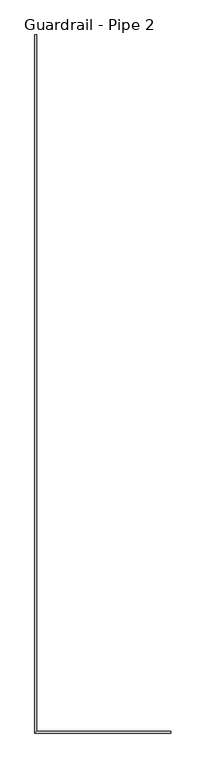
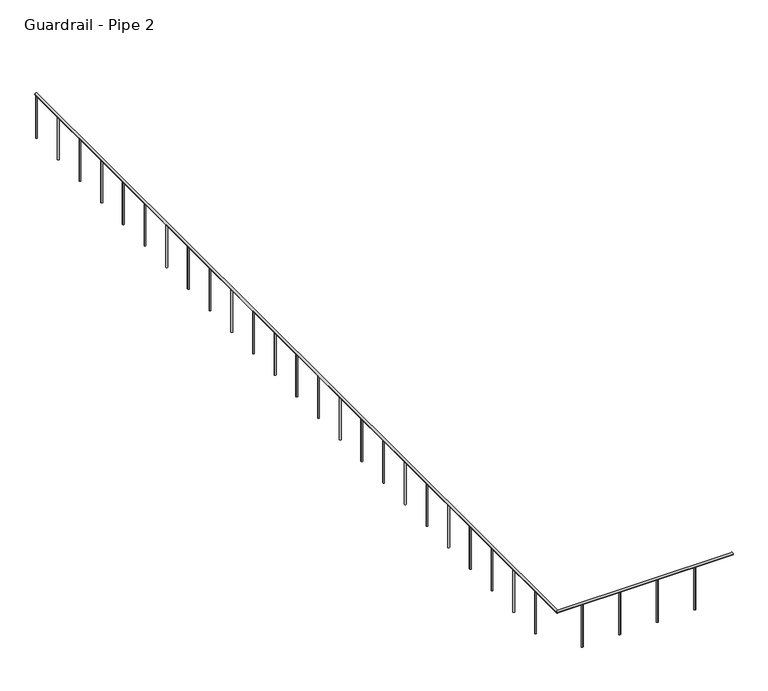
"""IFC4 building model written with IfcOpenShell, lengths in millimetres: railing geometry, Guardrail - Pipe 2."""

from ifc_helpers import new_model, si_unit, point, frame, frame_2d, origin, place, context, project, spatial, circle_curve, ellipse_curve, trimmed, segment, composite_curve, outline, extrude, source, transform, mapped, element, save
from ifc_brep_helpers import plane_surface, cylinder_surface, advanced_brep


def guardrail_pipe_2_5d968304(model_context):
    return source(origin(), model_context, "Body", "SolidModel", [
        advanced_brep(
        [(258109.8254676, -511031.3455223, 5010.15), (258109.8254676, -510993.2455223, 5010.15), (255245.9754676, -511031.3455223, 5010.15), (255284.0754676, -510993.2455223, 5010.15), (255245.9754676, -496370.7830223, 5010.15), (255284.0754676, -496370.7830223, 5010.15)],
        [
            (0, 1, circle_curve(frame((258109.8254676, -511012.2955223, 5010.15), z_axis=(1.0, 0.0, 0.0), x_axis=(0.0, 1.0, 0.0)), 19.05)),
            (1, 0, circle_curve(frame((258109.8254676, -511012.2955223, 5010.15), z_axis=(1.0, 0.0, 0.0), x_axis=(0.0, 1.0, 0.0)), 19.05)),
            (0, 2),
            (2, 3, ellipse_curve(frame((255265.0254676, -511012.2955223, 5010.15), z_axis=(0.7071067811865466, -0.7071067811865483, 0.0), x_axis=(0.7071067811865486, 0.7071067811865466, 0.0)), 26.9407684, 19.05)),
            (3, 1),
            (3, 2, ellipse_curve(frame((255265.0254676, -511012.2955223, 5010.15), z_axis=(0.7071067811865466, -0.7071067811865483, 0.0), x_axis=(0.7071067811865486, 0.7071067811865466, 0.0)), 26.9407684, 19.05)),
            (4, 5, circle_curve(frame((255265.0254676, -496370.7830223, 5010.15), z_axis=(0.0, 1.0, 0.0), x_axis=(1.0, 0.0, 0.0)), 19.05)),
            (5, 4, circle_curve(frame((255265.0254676, -496370.7830223, 5010.15), z_axis=(0.0, 1.0, 0.0), x_axis=(1.0, 0.0, 0.0)), 19.05)),
            (2, 4),
            (5, 3),
        ],
        [
            plane_surface(frame((258109.8254676, -511012.2955223, 5029.2), z_axis=(1.0, 0.0, 0.0), x_axis=(0.0, -1.0, 0.0))),
            cylinder_surface(frame((258109.8254676, -511012.2955223, 5010.15), z_axis=(1.0, 0.0, 0.0), x_axis=(0.0, 1.0, 0.0)), 19.05),
            plane_surface(frame((255265.0254676, -496370.7830223, 5029.2), z_axis=(0.0, 1.0, 0.0), x_axis=(0.0, 0.0, 1.0))),
            cylinder_surface(frame((255265.0254676, -511012.2955223, 5010.15), z_axis=(0.0, -1.0, 0.0), x_axis=(1.0, 0.0, 0.0)), 19.05),
        ],
        [
            (0, [[1, 2]]),
            (1, [[-1, 3, 4, 5]]),
            (1, [[-2, -5, 6, -3]]),
            (2, [[7, 8]]),
            (3, [[-4, 9, -8, 10]]),
            (3, [[-6, -10, -7, -9]]),
        ],
    ),
        extrude(outline(composite_curve([segment(trimmed(circle_curve(frame_2d((255265.0254676, -496381.8955223)), 12.7), [point((255252.3254676, -496381.8955223))], [point((255277.7254676, -496381.8955223))], False, "CARTESIAN"), True, "CONTINUOUS"), segment(trimmed(circle_curve(frame_2d((255265.0254676, -496381.8955223)), 12.7), [point((255277.7254676, -496381.8955223))], [point((255252.3254676, -496381.8955223))], False, "CARTESIAN"), True, "CONTINUOUS")], self_intersect=False)), frame((0.0, 0.0, 4267.2), z_axis=(0.0, 0.0, 1.0), x_axis=(1.0, 0.0, 0.0)), (0.0, 0.0, 1.0), 723.9),
        extrude(outline(composite_curve([segment(trimmed(circle_curve(frame_2d((255265.0254676, -496991.4955223)), 12.7), [point((255252.3254676, -496991.4955223))], [point((255277.7254676, -496991.4955223))], False, "CARTESIAN"), True, "CONTINUOUS"), segment(trimmed(circle_curve(frame_2d((255265.0254676, -496991.4955223)), 12.7), [point((255277.7254676, -496991.4955223))], [point((255252.3254676, -496991.4955223))], False, "CARTESIAN"), True, "CONTINUOUS")], self_intersect=False)), frame((0.0, 0.0, 4267.2), z_axis=(0.0, 0.0, 1.0), x_axis=(1.0, 0.0, 0.0)), (0.0, 0.0, 1.0), 723.9),
        extrude(outline(composite_curve([segment(trimmed(circle_curve(frame_2d((255265.0254676, -497601.0955223)), 12.7), [point((255252.3254676, -497601.0955223))], [point((255277.7254676, -497601.0955223))], False, "CARTESIAN"), True, "CONTINUOUS"), segment(trimmed(circle_curve(frame_2d((255265.0254676, -497601.0955223)), 12.7), [point((255277.7254676, -497601.0955223))], [point((255252.3254676, -497601.0955223))], False, "CARTESIAN"), True, "CONTINUOUS")], self_intersect=False)), frame((0.0, 0.0, 4267.2), z_axis=(0.0, 0.0, 1.0), x_axis=(1.0, 0.0, 0.0)), (0.0, 0.0, 1.0), 723.9),
        extrude(outline(composite_curve([segment(trimmed(circle_curve(frame_2d((255265.0254676, -498210.6955223)), 12.7), [point((255252.3254676, -498210.6955223))], [point((255277.7254676, -498210.6955223))], False, "CARTESIAN"), True, "CONTINUOUS"), segment(trimmed(circle_curve(frame_2d((255265.0254676, -498210.6955223)), 12.7), [point((255277.7254676, -498210.6955223))], [point((255252.3254676, -498210.6955223))], False, "CARTESIAN"), True, "CONTINUOUS")], self_intersect=False)), frame((0.0, 0.0, 4267.2), z_axis=(0.0, 0.0, 1.0), x_axis=(1.0, 0.0, 0.0)), (0.0, 0.0, 1.0), 723.9),
        extrude(outline(composite_curve([segment(trimmed(circle_curve(frame_2d((255265.0254676, -498820.2955223)), 12.7), [point((255252.3254676, -498820.2955223))], [point((255277.7254676, -498820.2955223))], False, "CARTESIAN"), True, "CONTINUOUS"), segment(trimmed(circle_curve(frame_2d((255265.0254676, -498820.2955223)), 12.7), [point((255277.7254676, -498820.2955223))], [point((255252.3254676, -498820.2955223))], False, "CARTESIAN"), True, "CONTINUOUS")], self_intersect=False)), frame((0.0, 0.0, 4267.2), z_axis=(0.0, 0.0, 1.0), x_axis=(1.0, 0.0, 0.0)), (0.0, 0.0, 1.0), 723.9),
        extrude(outline(composite_curve([segment(trimmed(circle_curve(frame_2d((255265.0254676, -499429.8955223)), 12.7), [point((255252.3254676, -499429.8955223))], [point((255277.7254676, -499429.8955223))], False, "CARTESIAN"), True, "CONTINUOUS"), segment(trimmed(circle_curve(frame_2d((255265.0254676, -499429.8955223)), 12.7), [point((255277.7254676, -499429.8955223))], [point((255252.3254676, -499429.8955223))], False, "CARTESIAN"), True, "CONTINUOUS")], self_intersect=False)), frame((0.0, 0.0, 4267.2), z_axis=(0.0, 0.0, 1.0), x_axis=(1.0, 0.0, 0.0)), (0.0, 0.0, 1.0), 723.9),
        extrude(outline(composite_curve([segment(trimmed(circle_curve(frame_2d((255265.0254676, -500039.4955223)), 12.7), [point((255252.3254676, -500039.4955223))], [point((255277.7254676, -500039.4955223))], False, "CARTESIAN"), True, "CONTINUOUS"), segment(trimmed(circle_curve(frame_2d((255265.0254676, -500039.4955223)), 12.7), [point((255277.7254676, -500039.4955223))], [point((255252.3254676, -500039.4955223))], False, "CARTESIAN"), True, "CONTINUOUS")], self_intersect=False)), frame((0.0, 0.0, 4267.2), z_axis=(0.0, 0.0, 1.0), x_axis=(1.0, 0.0, 0.0)), (0.0, 0.0, 1.0), 723.9),
        extrude(outline(composite_curve([segment(trimmed(circle_curve(frame_2d((255265.0254676, -500649.0955223)), 12.7), [point((255252.3254676, -500649.0955223))], [point((255277.7254676, -500649.0955223))], False, "CARTESIAN"), True, "CONTINUOUS"), segment(trimmed(circle_curve(frame_2d((255265.0254676, -500649.0955223)), 12.7), [point((255277.7254676, -500649.0955223))], [point((255252.3254676, -500649.0955223))], False, "CARTESIAN"), True, "CONTINUOUS")], self_intersect=False)), frame((0.0, 0.0, 4267.2), z_axis=(0.0, 0.0, 1.0), x_axis=(1.0, 0.0, 0.0)), (0.0, 0.0, 1.0), 723.9),
        extrude(outline(composite_curve([segment(trimmed(circle_curve(frame_2d((255265.0254676, -501258.6955223)), 12.7), [point((255252.3254676, -501258.6955223))], [point((255277.7254676, -501258.6955223))], False, "CARTESIAN"), True, "CONTINUOUS"), segment(trimmed(circle_curve(frame_2d((255265.0254676, -501258.6955223)), 12.7), [point((255277.7254676, -501258.6955223))], [point((255252.3254676, -501258.6955223))], False, "CARTESIAN"), True, "CONTINUOUS")], self_intersect=False)), frame((0.0, 0.0, 4267.2), z_axis=(0.0, 0.0, 1.0), x_axis=(1.0, 0.0, 0.0)), (0.0, 0.0, 1.0), 723.9),
        extrude(outline(composite_curve([segment(trimmed(circle_curve(frame_2d((255265.0254676, -501868.2955223)), 12.7), [point((255252.3254676, -501868.2955223))], [point((255277.7254676, -501868.2955223))], False, "CARTESIAN"), True, "CONTINUOUS"), segment(trimmed(circle_curve(frame_2d((255265.0254676, -501868.2955223)), 12.7), [point((255277.7254676, -501868.2955223))], [point((255252.3254676, -501868.2955223))], False, "CARTESIAN"), True, "CONTINUOUS")], self_intersect=False)), frame((0.0, 0.0, 4267.2), z_axis=(0.0, 0.0, 1.0), x_axis=(1.0, 0.0, 0.0)), (0.0, 0.0, 1.0), 723.9),
        extrude(outline(composite_curve([segment(trimmed(circle_curve(frame_2d((255265.0254676, -502477.8955223)), 12.7), [point((255252.3254676, -502477.8955223))], [point((255277.7254676, -502477.8955223))], False, "CARTESIAN"), True, "CONTINUOUS"), segment(trimmed(circle_curve(frame_2d((255265.0254676, -502477.8955223)), 12.7), [point((255277.7254676, -502477.8955223))], [point((255252.3254676, -502477.8955223))], False, "CARTESIAN"), True, "CONTINUOUS")], self_intersect=False)), frame((0.0, 0.0, 4267.2), z_axis=(0.0, 0.0, 1.0), x_axis=(1.0, 0.0, 0.0)), (0.0, 0.0, 1.0), 723.9),
        extrude(outline(composite_curve([segment(trimmed(circle_curve(frame_2d((255265.0254676, -503087.4955223)), 12.7), [point((255252.3254676, -503087.4955223))], [point((255277.7254676, -503087.4955223))], False, "CARTESIAN"), True, "CONTINUOUS"), segment(trimmed(circle_curve(frame_2d((255265.0254676, -503087.4955223)), 12.7), [point((255277.7254676, -503087.4955223))], [point((255252.3254676, -503087.4955223))], False, "CARTESIAN"), True, "CONTINUOUS")], self_intersect=False)), frame((0.0, 0.0, 4267.2), z_axis=(0.0, 0.0, 1.0), x_axis=(1.0, 0.0, 0.0)), (0.0, 0.0, 1.0), 723.9),
        extrude(outline(composite_curve([segment(trimmed(circle_curve(frame_2d((255265.0254676, -503697.0955223)), 12.7), [point((255252.3254676, -503697.0955223))], [point((255277.7254676, -503697.0955223))], False, "CARTESIAN"), True, "CONTINUOUS"), segment(trimmed(circle_curve(frame_2d((255265.0254676, -503697.0955223)), 12.7), [point((255277.7254676, -503697.0955223))], [point((255252.3254676, -503697.0955223))], False, "CARTESIAN"), True, "CONTINUOUS")], self_intersect=False)), frame((0.0, 0.0, 4267.2), z_axis=(0.0, 0.0, 1.0), x_axis=(1.0, 0.0, 0.0)), (0.0, 0.0, 1.0), 723.9),
        extrude(outline(composite_curve([segment(trimmed(circle_curve(frame_2d((255265.0254676, -504306.6955223)), 12.7), [point((255252.3254676, -504306.6955223))], [point((255277.7254676, -504306.6955223))], False, "CARTESIAN"), True, "CONTINUOUS"), segment(trimmed(circle_curve(frame_2d((255265.0254676, -504306.6955223)), 12.7), [point((255277.7254676, -504306.6955223))], [point((255252.3254676, -504306.6955223))], False, "CARTESIAN"), True, "CONTINUOUS")], self_intersect=False)), frame((0.0, 0.0, 4267.2), z_axis=(0.0, 0.0, 1.0), x_axis=(1.0, 0.0, 0.0)), (0.0, 0.0, 1.0), 723.9),
        extrude(outline(composite_curve([segment(trimmed(circle_curve(frame_2d((255265.0254676, -504916.2955223)), 12.7), [point((255252.3254676, -504916.2955223))], [point((255277.7254676, -504916.2955223))], False, "CARTESIAN"), True, "CONTINUOUS"), segment(trimmed(circle_curve(frame_2d((255265.0254676, -504916.2955223)), 12.7), [point((255277.7254676, -504916.2955223))], [point((255252.3254676, -504916.2955223))], False, "CARTESIAN"), True, "CONTINUOUS")], self_intersect=False)), frame((0.0, 0.0, 4267.2), z_axis=(0.0, 0.0, 1.0), x_axis=(1.0, 0.0, 0.0)), (0.0, 0.0, 1.0), 723.9),
        extrude(outline(composite_curve([segment(trimmed(circle_curve(frame_2d((255265.0254676, -505525.8955223)), 12.7), [point((255252.3254676, -505525.8955223))], [point((255277.7254676, -505525.8955223))], False, "CARTESIAN"), True, "CONTINUOUS"), segment(trimmed(circle_curve(frame_2d((255265.0254676, -505525.8955223)), 12.7), [point((255277.7254676, -505525.8955223))], [point((255252.3254676, -505525.8955223))], False, "CARTESIAN"), True, "CONTINUOUS")], self_intersect=False)), frame((0.0, 0.0, 4267.2), z_axis=(0.0, 0.0, 1.0), x_axis=(1.0, 0.0, 0.0)), (0.0, 0.0, 1.0), 723.9),
        extrude(outline(composite_curve([segment(trimmed(circle_curve(frame_2d((255265.0254676, -506135.4955223)), 12.7), [point((255252.3254676, -506135.4955223))], [point((255277.7254676, -506135.4955223))], False, "CARTESIAN"), True, "CONTINUOUS"), segment(trimmed(circle_curve(frame_2d((255265.0254676, -506135.4955223)), 12.7), [point((255277.7254676, -506135.4955223))], [point((255252.3254676, -506135.4955223))], False, "CARTESIAN"), True, "CONTINUOUS")], self_intersect=False)), frame((0.0, 0.0, 4267.2), z_axis=(0.0, 0.0, 1.0), x_axis=(1.0, 0.0, 0.0)), (0.0, 0.0, 1.0), 723.9),
        extrude(outline(composite_curve([segment(trimmed(circle_curve(frame_2d((255265.0254676, -506745.0955223)), 12.7), [point((255252.3254676, -506745.0955223))], [point((255277.7254676, -506745.0955223))], False, "CARTESIAN"), True, "CONTINUOUS"), segment(trimmed(circle_curve(frame_2d((255265.0254676, -506745.0955223)), 12.7), [point((255277.7254676, -506745.0955223))], [point((255252.3254676, -506745.0955223))], False, "CARTESIAN"), True, "CONTINUOUS")], self_intersect=False)), frame((0.0, 0.0, 4267.2), z_axis=(0.0, 0.0, 1.0), x_axis=(1.0, 0.0, 0.0)), (0.0, 0.0, 1.0), 723.9),
        extrude(outline(composite_curve([segment(trimmed(circle_curve(frame_2d((255265.0254676, -507354.6955223)), 12.7), [point((255252.3254676, -507354.6955223))], [point((255277.7254676, -507354.6955223))], False, "CARTESIAN"), True, "CONTINUOUS"), segment(trimmed(circle_curve(frame_2d((255265.0254676, -507354.6955223)), 12.7), [point((255277.7254676, -507354.6955223))], [point((255252.3254676, -507354.6955223))], False, "CARTESIAN"), True, "CONTINUOUS")], self_intersect=False)), frame((0.0, 0.0, 4267.2), z_axis=(0.0, 0.0, 1.0), x_axis=(1.0, 0.0, 0.0)), (0.0, 0.0, 1.0), 723.9),
        extrude(outline(composite_curve([segment(trimmed(circle_curve(frame_2d((255265.0254676, -507964.2955223)), 12.7), [point((255252.3254676, -507964.2955223))], [point((255277.7254676, -507964.2955223))], False, "CARTESIAN"), True, "CONTINUOUS"), segment(trimmed(circle_curve(frame_2d((255265.0254676, -507964.2955223)), 12.7), [point((255277.7254676, -507964.2955223))], [point((255252.3254676, -507964.2955223))], False, "CARTESIAN"), True, "CONTINUOUS")], self_intersect=False)), frame((0.0, 0.0, 4267.2), z_axis=(0.0, 0.0, 1.0), x_axis=(1.0, 0.0, 0.0)), (0.0, 0.0, 1.0), 723.9),
        extrude(outline(composite_curve([segment(trimmed(circle_curve(frame_2d((255265.0254676, -508573.8955223)), 12.7), [point((255252.3254676, -508573.8955223))], [point((255277.7254676, -508573.8955223))], False, "CARTESIAN"), True, "CONTINUOUS"), segment(trimmed(circle_curve(frame_2d((255265.0254676, -508573.8955223)), 12.7), [point((255277.7254676, -508573.8955223))], [point((255252.3254676, -508573.8955223))], False, "CARTESIAN"), True, "CONTINUOUS")], self_intersect=False)), frame((0.0, 0.0, 4267.2), z_axis=(0.0, 0.0, 1.0), x_axis=(1.0, 0.0, 0.0)), (0.0, 0.0, 1.0), 723.9),
        extrude(outline(composite_curve([segment(trimmed(circle_curve(frame_2d((255265.0254676, -509183.4955223)), 12.7), [point((255252.3254676, -509183.4955223))], [point((255277.7254676, -509183.4955223))], False, "CARTESIAN"), True, "CONTINUOUS"), segment(trimmed(circle_curve(frame_2d((255265.0254676, -509183.4955223)), 12.7), [point((255277.7254676, -509183.4955223))], [point((255252.3254676, -509183.4955223))], False, "CARTESIAN"), True, "CONTINUOUS")], self_intersect=False)), frame((0.0, 0.0, 4267.2), z_axis=(0.0, 0.0, 1.0), x_axis=(1.0, 0.0, 0.0)), (0.0, 0.0, 1.0), 723.9),
        extrude(outline(composite_curve([segment(trimmed(circle_curve(frame_2d((255265.0254676, -509793.0955223)), 12.7), [point((255252.3254676, -509793.0955223))], [point((255277.7254676, -509793.0955223))], False, "CARTESIAN"), True, "CONTINUOUS"), segment(trimmed(circle_curve(frame_2d((255265.0254676, -509793.0955223)), 12.7), [point((255277.7254676, -509793.0955223))], [point((255252.3254676, -509793.0955223))], False, "CARTESIAN"), True, "CONTINUOUS")], self_intersect=False)), frame((0.0, 0.0, 4267.2), z_axis=(0.0, 0.0, 1.0), x_axis=(1.0, 0.0, 0.0)), (0.0, 0.0, 1.0), 723.9),
        extrude(outline(composite_curve([segment(trimmed(circle_curve(frame_2d((255265.0254676, -510402.6955223)), 12.7), [point((255252.3254676, -510402.6955223))], [point((255277.7254676, -510402.6955223))], False, "CARTESIAN"), True, "CONTINUOUS"), segment(trimmed(circle_curve(frame_2d((255265.0254676, -510402.6955223)), 12.7), [point((255277.7254676, -510402.6955223))], [point((255252.3254676, -510402.6955223))], False, "CARTESIAN"), True, "CONTINUOUS")], self_intersect=False)), frame((0.0, 0.0, 4267.2), z_axis=(0.0, 0.0, 1.0), x_axis=(1.0, 0.0, 0.0)), (0.0, 0.0, 1.0), 723.9),
        extrude(outline(composite_curve([segment(trimmed(circle_curve(frame_2d((255671.4254676, -511012.2955223)), 12.7), [point((255671.4254676, -511024.9955223))], [point((255671.4254676, -510999.5955223))], False, "CARTESIAN"), True, "CONTINUOUS"), segment(trimmed(circle_curve(frame_2d((255671.4254676, -511012.2955223)), 12.7), [point((255671.4254676, -510999.5955223))], [point((255671.4254676, -511024.9955223))], False, "CARTESIAN"), True, "CONTINUOUS")], self_intersect=False)), frame((0.0, 0.0, 4267.2), z_axis=(0.0, 0.0, 1.0), x_axis=(1.0, 0.0, 0.0)), (0.0, 0.0, 1.0), 723.9),
        extrude(outline(composite_curve([segment(trimmed(circle_curve(frame_2d((256281.0254676, -511012.2955223)), 12.7), [point((256281.0254676, -511024.9955223))], [point((256281.0254676, -510999.5955223))], False, "CARTESIAN"), True, "CONTINUOUS"), segment(trimmed(circle_curve(frame_2d((256281.0254676, -511012.2955223)), 12.7), [point((256281.0254676, -510999.5955223))], [point((256281.0254676, -511024.9955223))], False, "CARTESIAN"), True, "CONTINUOUS")], self_intersect=False)), frame((0.0, 0.0, 4267.2), z_axis=(0.0, 0.0, 1.0), x_axis=(1.0, 0.0, 0.0)), (0.0, 0.0, 1.0), 723.9),
        extrude(outline(composite_curve([segment(trimmed(circle_curve(frame_2d((256890.6254676, -511012.2955223)), 12.7), [point((256890.6254676, -511024.9955223))], [point((256890.6254676, -510999.5955223))], False, "CARTESIAN"), True, "CONTINUOUS"), segment(trimmed(circle_curve(frame_2d((256890.6254676, -511012.2955223)), 12.7), [point((256890.6254676, -510999.5955223))], [point((256890.6254676, -511024.9955223))], False, "CARTESIAN"), True, "CONTINUOUS")], self_intersect=False)), frame((0.0, 0.0, 4267.2), z_axis=(0.0, 0.0, 1.0), x_axis=(1.0, 0.0, 0.0)), (0.0, 0.0, 1.0), 723.9),
        extrude(outline(composite_curve([segment(trimmed(circle_curve(frame_2d((257500.2254676, -511012.2955223)), 12.7), [point((257500.2254676, -511024.9955223))], [point((257500.2254676, -510999.5955223))], False, "CARTESIAN"), True, "CONTINUOUS"), segment(trimmed(circle_curve(frame_2d((257500.2254676, -511012.2955223)), 12.7), [point((257500.2254676, -510999.5955223))], [point((257500.2254676, -511024.9955223))], False, "CARTESIAN"), True, "CONTINUOUS")], self_intersect=False)), frame((0.0, 0.0, 4267.2), z_axis=(0.0, 0.0, 1.0), x_axis=(1.0, 0.0, 0.0)), (0.0, 0.0, 1.0), 723.9),
    ])


if __name__ == "__main__":
    model = new_model("IFC4")
    model_context = context("Model", 3, world=origin())
    ifc_project = project(units=[si_unit("LENGTHUNIT", "METRE", prefix="MILLI")], contexts=[model_context])
    site = spatial("IfcSite", under=ifc_project)
    building = spatial("IfcBuilding", under=site)
    placement = place(None, origin())
    guardrail_pipe_2_shape = guardrail_pipe_2_5d968304(model_context)
    element("IfcRailing", 1, ObjectType="Guardrail - Pipe 2", at=placement, inside=building, context=model_context, shape_type="MappedRepresentation", body=[
        mapped(guardrail_pipe_2_shape, transform((0.0, 0.0, 0.0), x_axis=(1.0, 0.0, 0.0), y_axis=(0.0, 1.0, 0.0), z_axis=(0.0, 0.0, 1.0))),
    ])
    save(model, "model.ifc")
